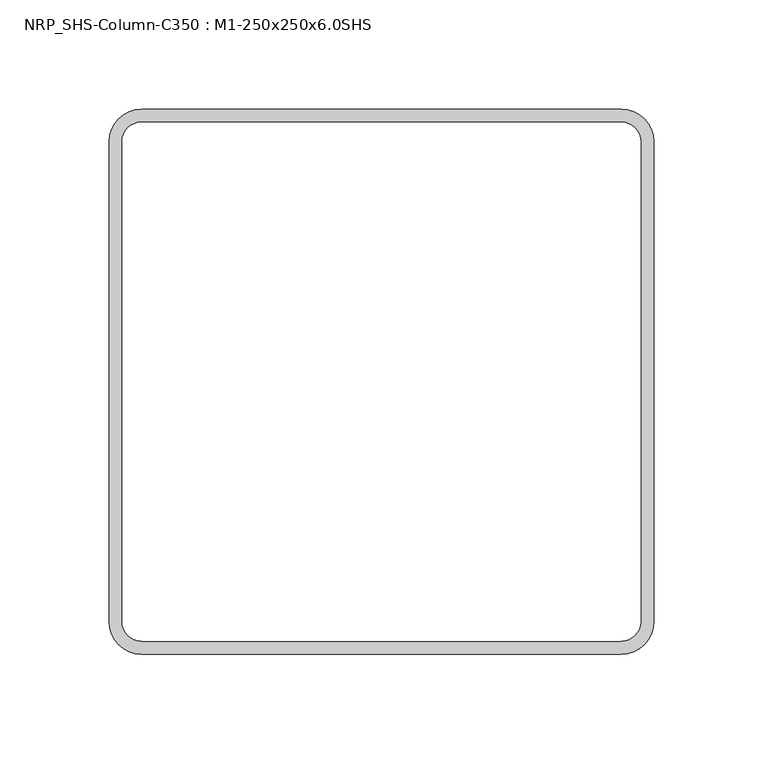
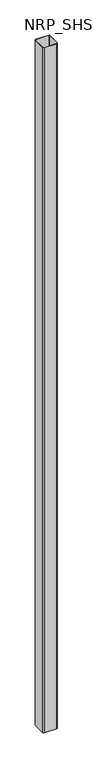
"""IFC4 building model written with IfcOpenShell, lengths in millimetres: column geometry, NRP_SHS-Column-C350 : M1-250x250x6.0SHS."""

from ifc_helpers import new_model, si_unit, point, frame, frame_2d, origin, place, context, project, spatial, polyline, circle_curve, trimmed, segment, composite_curve, outline, extrude, source, transform, mapped, element, save


def nrp_shs_column_c350_m1_250x250x6_0shs_13708fee(model_context):
    return source(origin(), model_context, "Body", "SweptSolid", [
        extrude(outline(composite_curve([segment(polyline([(110.0, -125.0), (-110.0, -125.0)]), True, "CONTINUOUS"), segment(trimmed(circle_curve(frame_2d((-110.0, -110.0)), 15.0), [point((-110.0, -125.0))], [point((-125.0, -110.0))], False, "CARTESIAN"), True, "CONTINUOUS"), segment(polyline([(-125.0, -110.0), (-125.0, 110.0)]), True, "CONTINUOUS"), segment(trimmed(circle_curve(frame_2d((-110.0, 110.0)), 15.0), [point((-125.0, 110.0))], [point((-110.0, 125.0))], False, "CARTESIAN"), True, "CONTINUOUS"), segment(polyline([(-110.0, 125.0), (110.0, 125.0)]), True, "CONTINUOUS"), segment(trimmed(circle_curve(frame_2d((110.0, 110.0)), 15.0), [point((110.0, 125.0))], [point((125.0, 110.0))], False, "CARTESIAN"), True, "CONTINUOUS"), segment(polyline([(125.0, 110.0), (125.0, -110.0)]), True, "CONTINUOUS"), segment(trimmed(circle_curve(frame_2d((110.0, -110.0)), 15.0), [point((125.0, -110.0))], [point((110.0, -125.0))], False, "CARTESIAN"), True, "CONTINUOUS")], self_intersect=False), holes=[composite_curve([segment(trimmed(circle_curve(frame_2d((110.0, -110.0)), 9.0), [point((110.0, -119.0))], [point((119.0, -110.0))], True, "CARTESIAN"), True, "CONTINUOUS"), segment(polyline([(119.0, -110.0), (119.0, 110.0)]), True, "CONTINUOUS"), segment(trimmed(circle_curve(frame_2d((110.0, 110.0)), 9.0), [point((119.0, 110.0))], [point((110.0, 119.0))], True, "CARTESIAN"), True, "CONTINUOUS"), segment(polyline([(110.0, 119.0), (-110.0, 119.0)]), True, "CONTINUOUS"), segment(trimmed(circle_curve(frame_2d((-110.0, 110.0)), 9.0), [point((-110.0, 119.0))], [point((-119.0, 110.0))], True, "CARTESIAN"), True, "CONTINUOUS"), segment(polyline([(-119.0, 110.0), (-119.0, -110.0)]), True, "CONTINUOUS"), segment(trimmed(circle_curve(frame_2d((-110.0, -110.0)), 9.0), [point((-119.0, -110.0))], [point((-110.0, -119.0))], True, "CARTESIAN"), True, "CONTINUOUS"), segment(polyline([(-110.0, -119.0), (110.0, -119.0)]), True, "CONTINUOUS")], self_intersect=False)]), frame((0.0, 0.0, 45550.0), z_axis=(0.0, 0.0, 1.0), x_axis=(1.0, 0.0, 0.0)), (0.0, 0.0, 1.0), 12446.3062142),
    ])


if __name__ == "__main__":
    model = new_model("IFC4")
    model_context = context("Model", 3, world=origin())
    ifc_project = project(units=[si_unit("LENGTHUNIT", "METRE", prefix="MILLI")], contexts=[model_context])
    site = spatial("IfcSite", under=ifc_project)
    building = spatial("IfcBuilding", under=site)
    placement = place(None, origin())
    nrp_shs_column_c350_m1_250x250x6_0shs_shape = nrp_shs_column_c350_m1_250x250x6_0shs_13708fee(model_context)
    element("IfcColumn", 1, ObjectType="NRP_SHS-Column-C350 : M1-250x250x6.0SHS", at=placement, inside=building, context=model_context, shape_type="MappedRepresentation", body=[
        mapped(nrp_shs_column_c350_m1_250x250x6_0shs_shape, transform((0.0, 0.0, 0.0), x_axis=(1.0, 0.0, 0.0), y_axis=(0.0, 1.0, 0.0), z_axis=(0.0, 0.0, 1.0))),
    ])
    save(model, "model.ifc")
